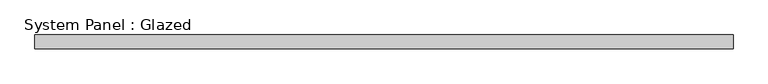
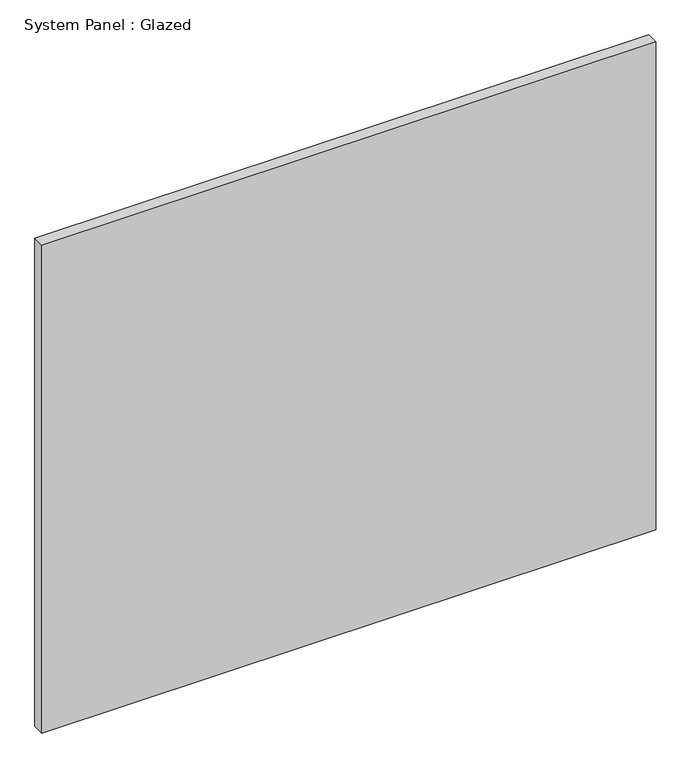
"""IFC4 building model written with IfcOpenShell, lengths in millimetres: plate geometry, System Panel : Glazed."""

from ifc_helpers import new_model, si_unit, origin, origin_with_axes, place, context, project, spatial, polyline, outline, extrude, source, transform, mapped, element, save


def system_panel_glazed_0af7327f(model_context):
    return source(origin(), model_context, "Body", "SweptSolid", [
        extrude(outline(polyline([(635.0, -12.7), (-635.0, -12.7), (-635.0, 12.7), (635.0, 12.7), (635.0, -12.7)])), origin_with_axes(), (0.0, 0.0, 1.0), 1066.8),
    ])


if __name__ == "__main__":
    model = new_model("IFC4")
    model_context = context("Model", 3, world=origin())
    ifc_project = project(units=[si_unit("LENGTHUNIT", "METRE", prefix="MILLI")], contexts=[model_context])
    site = spatial("IfcSite", under=ifc_project)
    building = spatial("IfcBuilding", under=site)
    placement = place(None, origin())
    system_panel_glazed_shape = system_panel_glazed_0af7327f(model_context)
    element("IfcPlate", 1, ObjectType="System Panel : Glazed", at=placement, inside=building, context=model_context, shape_type="MappedRepresentation", body=[
        mapped(system_panel_glazed_shape, transform((0.0, 0.0, 0.0), x_axis=(1.0, 0.0, 0.0), y_axis=(0.0, 1.0, 0.0), z_axis=(0.0, 0.0, 1.0))),
    ])
    save(model, "model.ifc")
